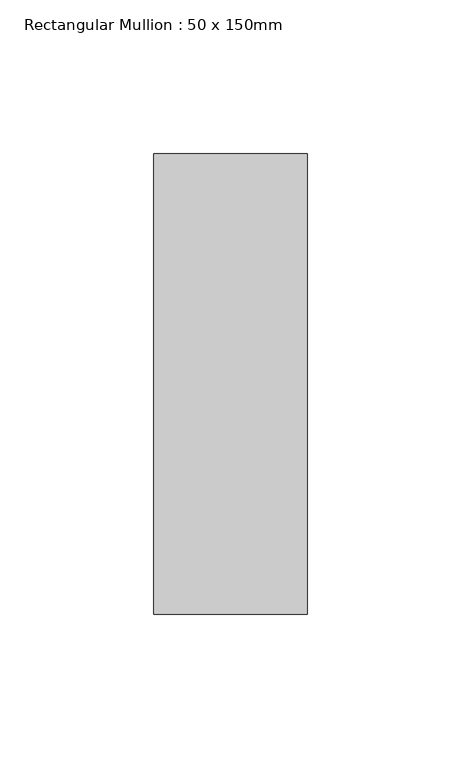
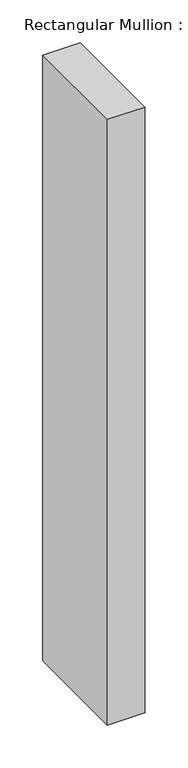
"""IFC4 building model written with IfcOpenShell, lengths in millimetres: member geometry, Rectangular Mullion : 50 x 150mm."""

from ifc_helpers import new_model, si_unit, frame, origin, place, context, project, spatial, polyline, outline, extrude, source, transform, mapped, element, save


def rectangular_mullion_50_x_150mm_98876750(model_context):
    return source(origin(), model_context, "Body", "SweptSolid", [
        extrude(outline(polyline([(0.0, 75.0), (0.0, -75.0), (-50.0, -75.0), (-50.0, 75.0), (0.0, 75.0)])), frame((0.0, 0.0, -860.0), z_axis=(0.0, 0.0, 1.0), x_axis=(1.0, 0.0, 0.0)), (0.0, 0.0, 1.0), 860.0),
    ])


if __name__ == "__main__":
    model = new_model("IFC4")
    model_context = context("Model", 3, world=origin())
    ifc_project = project(units=[si_unit("LENGTHUNIT", "METRE", prefix="MILLI")], contexts=[model_context])
    site = spatial("IfcSite", under=ifc_project)
    building = spatial("IfcBuilding", under=site)
    placement = place(None, origin())
    rectangular_mullion_50_x_150mm_shape = rectangular_mullion_50_x_150mm_98876750(model_context)
    element("IfcMember", 1, ObjectType="Rectangular Mullion : 50 x 150mm", at=placement, inside=building, context=model_context, shape_type="MappedRepresentation", body=[
        mapped(rectangular_mullion_50_x_150mm_shape, transform((0.0, 0.0, 0.0), x_axis=(1.0, 0.0, 0.0), y_axis=(0.0, 1.0, 0.0), z_axis=(0.0, 0.0, 1.0))),
    ])
    save(model, "model.ifc")
